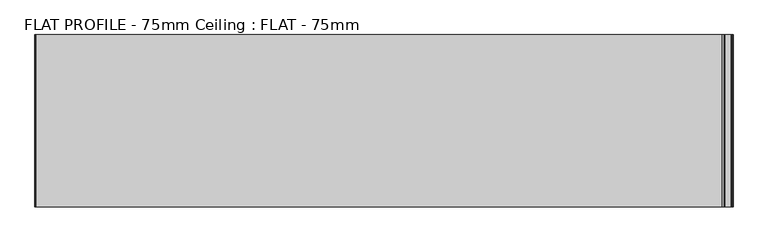
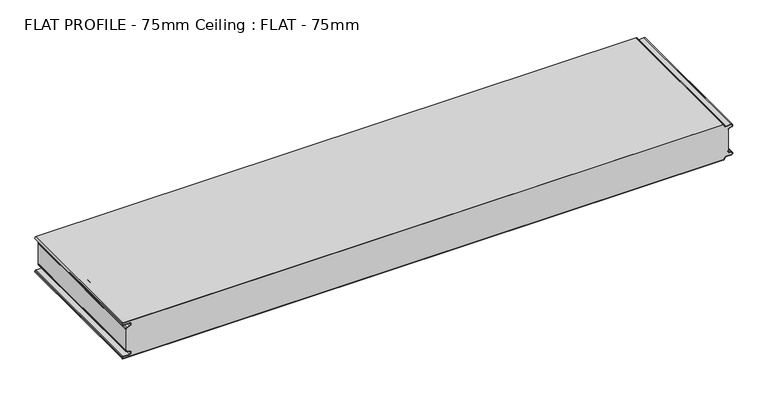
"""IFC4 building model written with IfcOpenShell, lengths in millimetres: proxy geometry, FLAT PROFILE - 75mm Ceiling : FLAT - 75mm."""

from ifc_helpers import new_model, si_unit, point, frame, frame_2d, origin, place, context, project, spatial, polyline, circle_curve, trimmed, segment, composite_curve, outline, extrude, source, transform, mapped, element, save


def flat_profile_75mm_ceiling_flat_75mm_cde551b7(model_context):
    return source(origin(), model_context, "Body", "SweptSolid", [
        extrude(outline(composite_curve([segment(trimmed(circle_curve(frame_2d((-591.0050311, -22.6831925)), 1.0022625), [point((-591.3794419, -23.612895))], [point((-591.9881924, -22.8779338))], False, "CARTESIAN"), True, "CONTINUOUS"), segment(polyline([(-591.9881924, -22.8779338), (-591.9881924, -21.7522195), (-592.9881924, -21.7522195), (-592.9881924, 21.7522233), (-591.9881924, 21.7522233), (-591.9881924, 22.8779338)]), True, "CONTINUOUS"), segment(trimmed(circle_curve(frame_2d((-591.0050311, 22.6831926)), 1.0022625), [point((-591.9881924, 22.8779338))], [point((-591.3794419, 23.6128951))], False, "CARTESIAN"), True, "CONTINUOUS"), segment(polyline([(-591.3794419, 23.6128951), (-589.3904999, 24.4138838), (-583.8995097, 26.4124408)]), True, "CONTINUOUS"), segment(trimmed(circle_curve(frame_2d((-585.2882153, 29.8376477)), 3.6960175), [point((-583.8995097, 26.4124408))], [point((-584.9273771, 33.5160089))], True, "CARTESIAN"), True, "CONTINUOUS"), segment(polyline([(-584.9273771, 33.5160089), (-597.3733883, 33.5160089)]), True, "CONTINUOUS"), segment(trimmed(circle_curve(frame_2d((-597.4921978, 35.0112962)), 1.5), [point((-597.3733883, 33.5160089))], [point((-597.3084562, 36.5))], False, "CARTESIAN"), True, "CONTINUOUS"), segment(polyline([(-597.3084562, 36.5), (596.902372, 36.5)]), True, "CONTINUOUS"), segment(trimmed(circle_curve(frame_2d((596.9047345, 34.9926441)), 1.5073578), [point((596.902372, 36.5))], [point((598.4115951, 34.9539319))], False, "CARTESIAN"), True, "CONTINUOUS"), segment(trimmed(circle_curve(frame_2d((601.9112919, 35.0)), 3.5), [point((598.4115951, 34.9539319))], [point((601.9112919, 31.5))], True, "CARTESIAN"), True, "CONTINUOUS"), segment(polyline([(601.9112919, 31.5), (612.3116271, 31.5)]), True, "CONTINUOUS"), segment(trimmed(circle_curve(frame_2d((612.3116271, 29.4)), 2.1), [point((612.3116271, 31.5))], [point((613.0435993, 27.431697))], False, "CARTESIAN"), True, "CONTINUOUS"), segment(polyline([(613.0435993, 27.431697), (610.7828028, 26.6062983), (607.8546835, 25.4154138)]), True, "CONTINUOUS"), segment(trimmed(circle_curve(frame_2d((608.9399875, 22.7468935)), 2.8807786), [point((607.8546835, 25.4154138))], [point((606.0682599, 22.9750722))], True, "CARTESIAN"), True, "CONTINUOUS"), segment(polyline([(606.0682599, 22.9750722), (606.0107004, 21.7522214), (607.0118076, 21.7522214), (607.0118076, -21.7522213), (606.0107004, -21.7522213), (606.0682599, -22.9750721)]), True, "CONTINUOUS"), segment(trimmed(circle_curve(frame_2d((608.9399875, -22.7468934)), 2.8807786), [point((606.0682599, -22.9750721))], [point((607.8546835, -25.4154137))], True, "CARTESIAN"), True, "CONTINUOUS"), segment(polyline([(607.8546835, -25.4154137), (610.7828028, -26.6062982), (613.0435993, -27.4316969)]), True, "CONTINUOUS"), segment(trimmed(circle_curve(frame_2d((612.3116271, -29.4)), 2.1), [point((613.0435993, -27.4316969))], [point((612.3116271, -31.5))], False, "CARTESIAN"), True, "CONTINUOUS"), segment(polyline([(612.3116271, -31.5), (601.9112919, -31.5)]), True, "CONTINUOUS"), segment(trimmed(circle_curve(frame_2d((601.9112919, -35.0)), 3.5), [point((601.9112919, -31.5))], [point((598.4115951, -34.9539318))], True, "CARTESIAN"), True, "CONTINUOUS"), segment(trimmed(circle_curve(frame_2d((596.9047345, -34.992644)), 1.5073578), [point((598.4115951, -34.9539318))], [point((596.902372, -36.5))], False, "CARTESIAN"), True, "CONTINUOUS"), segment(polyline([(596.902372, -36.5), (-597.3084562, -36.5)]), True, "CONTINUOUS"), segment(trimmed(circle_curve(frame_2d((-597.4921978, -35.0112962)), 1.5), [point((-597.3084562, -36.5))], [point((-597.3733883, -33.5160088))], False, "CARTESIAN"), True, "CONTINUOUS"), segment(polyline([(-597.3733883, -33.5160088), (-584.9273771, -33.5160088)]), True, "CONTINUOUS"), segment(trimmed(circle_curve(frame_2d((-585.2882153, -29.8376476)), 3.6960175), [point((-584.9273771, -33.5160088))], [point((-583.8995097, -26.4124407))], True, "CARTESIAN"), True, "CONTINUOUS"), segment(polyline([(-583.8995097, -26.4124407), (-589.3904999, -24.4138837), (-591.3794419, -23.612895)]), True, "CONTINUOUS")], self_intersect=False)), frame((0.0, -2199.999999, 2499.9999958), z_axis=(0.0, -1.0, 5.782781187235762e-10), x_axis=(1.0, 0.0, 0.0)), (0.0, 0.0, 1.0), 300.0),
        extrude(outline(composite_curve([segment(polyline([(-591.3794419, -23.612895), (-589.3904999, -24.4138837), (-583.8995097, -26.4124407)]), True, "CONTINUOUS"), segment(trimmed(circle_curve(frame_2d((-585.2882153, -29.8376476)), 3.6960175), [point((-583.8995097, -26.4124407))], [point((-584.9273771, -33.5160088))], False, "CARTESIAN"), True, "CONTINUOUS"), segment(polyline([(-584.9273771, -33.5160088), (-597.3733883, -33.5160088)]), True, "CONTINUOUS"), segment(trimmed(circle_curve(frame_2d((-597.4921978, -35.0112962)), 1.5), [point((-597.3733883, -33.5160088))], [point((-597.3084562, -36.5))], True, "CARTESIAN"), True, "CONTINUOUS"), segment(polyline([(-597.3084562, -36.5), (596.902372, -36.5)]), True, "CONTINUOUS"), segment(trimmed(circle_curve(frame_2d((596.9047345, -34.992644)), 1.5073578), [point((596.902372, -36.5))], [point((598.4115951, -34.9539318))], True, "CARTESIAN"), True, "CONTINUOUS"), segment(trimmed(circle_curve(frame_2d((601.9112919, -35.0)), 3.5), [point((598.4115951, -34.9539318))], [point((601.9112919, -31.5))], False, "CARTESIAN"), True, "CONTINUOUS"), segment(polyline([(601.9112919, -31.5), (612.3116271, -31.5)]), True, "CONTINUOUS"), segment(trimmed(circle_curve(frame_2d((612.3116271, -29.4)), 2.1), [point((612.3116271, -31.5))], [point((613.0435993, -27.4316969))], True, "CARTESIAN"), True, "CONTINUOUS"), segment(polyline([(613.0435993, -27.4316969), (610.7828028, -26.6062982), (607.8546835, -25.4154137)]), True, "CONTINUOUS"), segment(trimmed(circle_curve(frame_2d((608.9399875, -22.7468934)), 2.8807786), [point((607.8546835, -25.4154137))], [point((606.0682599, -22.9750721))], False, "CARTESIAN"), True, "CONTINUOUS"), segment(polyline([(606.0682599, -22.9750721), (606.0107004, -21.7522213), (607.0118076, -21.7522213), (607.0118076, -22.9591032)]), True, "CONTINUOUS"), segment(trimmed(circle_curve(frame_2d((609.0514567, -22.6592647)), 2.0615701), [point((607.0118076, -22.9591032))], [point((608.2411829, -24.554925))], True, "CARTESIAN"), True, "CONTINUOUS"), segment(polyline([(608.2411829, -24.554925), (611.1427659, -25.6731559), (613.3890842, -26.4932688)]), True, "CONTINUOUS"), segment(trimmed(circle_curve(frame_2d((612.3116271, -29.4)), 3.1), [point((613.3890842, -26.4932688))], [point((612.3116271, -32.5))], False, "CARTESIAN"), True, "CONTINUOUS"), segment(polyline([(612.3116271, -32.5), (601.9112919, -32.5)]), True, "CONTINUOUS"), segment(trimmed(circle_curve(frame_2d((601.9112919, -35.0)), 2.5), [point((601.9112919, -32.5))], [point((599.4117582, -34.9517157))], True, "CARTESIAN"), True, "CONTINUOUS"), segment(trimmed(circle_curve(frame_2d((596.9047345, -34.992644)), 2.5073578), [point((599.4117582, -34.9517157))], [point((596.9016875, -37.5))], False, "CARTESIAN"), True, "CONTINUOUS"), segment(polyline([(596.9016875, -37.5), (-597.2548091, -37.5)]), True, "CONTINUOUS"), segment(trimmed(circle_curve(frame_2d((-597.4921978, -35.0112962)), 2.5), [point((-597.2548091, -37.5))], [point((-597.3387672, -32.5160088))], False, "CARTESIAN"), True, "CONTINUOUS"), segment(polyline([(-597.3387672, -32.5160088), (-584.9801705, -32.5160088)]), True, "CONTINUOUS"), segment(trimmed(circle_curve(frame_2d((-585.2882153, -29.8376476)), 2.6960175), [point((-584.9801705, -32.5160088))], [point((-584.2598383, -27.3454696))], True, "CARTESIAN"), True, "CONTINUOUS"), segment(polyline([(-584.2598383, -27.3454696), (-589.7483949, -25.3477984), (-591.7530074, -24.5404988)]), True, "CONTINUOUS"), segment(trimmed(circle_curve(frame_2d((-591.0050311, -22.6831925)), 2.0022625), [point((-591.7530074, -24.5404988))], [point((-592.9881924, -22.9591032))], False, "CARTESIAN"), True, "CONTINUOUS"), segment(polyline([(-592.9881924, -22.9591032), (-592.9881924, -21.7522195), (-591.9881924, -21.7522195), (-591.9881924, -22.8779338)]), True, "CONTINUOUS"), segment(trimmed(circle_curve(frame_2d((-591.0050311, -22.6831925)), 1.0022625), [point((-591.9881924, -22.8779338))], [point((-591.3794419, -23.612895))], True, "CARTESIAN"), True, "CONTINUOUS")], self_intersect=False)), frame((0.0, -2199.999999, 2500.0000084), z_axis=(0.0, -1.0, 5.782781187235742e-10), x_axis=(1.0, 0.0, 0.0)), (0.0, 0.0, 1.0), 300.0),
        extrude(outline(composite_curve([segment(trimmed(circle_curve(frame_2d((-591.0050311, 22.6831926)), 1.0022625), [point((-591.3794419, 23.6128951))], [point((-591.9881924, 22.8779338))], True, "CARTESIAN"), True, "CONTINUOUS"), segment(polyline([(-591.9881924, 22.8779338), (-591.9881924, 21.7522196), (-592.9881924, 21.7522196), (-592.9881924, 22.9591033)]), True, "CONTINUOUS"), segment(trimmed(circle_curve(frame_2d((-591.0050311, 22.6831926)), 2.0022625), [point((-592.9881924, 22.9591033))], [point((-591.7530074, 24.5404989))], False, "CARTESIAN"), True, "CONTINUOUS"), segment(polyline([(-591.7530074, 24.5404989), (-589.7483949, 25.3477985), (-584.2598383, 27.3454697)]), True, "CONTINUOUS"), segment(trimmed(circle_curve(frame_2d((-585.2882153, 29.8376477)), 2.6960175), [point((-584.2598383, 27.3454697))], [point((-584.9801705, 32.5160089))], True, "CARTESIAN"), True, "CONTINUOUS"), segment(polyline([(-584.9801705, 32.5160089), (-597.3387672, 32.5160089)]), True, "CONTINUOUS"), segment(trimmed(circle_curve(frame_2d((-597.4921978, 35.0112962)), 2.5), [point((-597.3387672, 32.5160089))], [point((-597.2548091, 37.5))], False, "CARTESIAN"), True, "CONTINUOUS"), segment(polyline([(-597.2548091, 37.5), (596.9016875, 37.5)]), True, "CONTINUOUS"), segment(trimmed(circle_curve(frame_2d((596.9047345, 34.9926441)), 2.5073578), [point((596.9016875, 37.5))], [point((599.4117582, 34.9517158))], False, "CARTESIAN"), True, "CONTINUOUS"), segment(trimmed(circle_curve(frame_2d((601.9112919, 35.0)), 2.5), [point((599.4117582, 34.9517158))], [point((601.9112919, 32.5))], True, "CARTESIAN"), True, "CONTINUOUS"), segment(polyline([(601.9112919, 32.5), (612.3116271, 32.5)]), True, "CONTINUOUS"), segment(trimmed(circle_curve(frame_2d((612.3116271, 29.4)), 3.1), [point((612.3116271, 32.5))], [point((613.3890842, 26.4932688))], False, "CARTESIAN"), True, "CONTINUOUS"), segment(polyline([(613.3890842, 26.4932688), (611.1427659, 25.673156), (608.2411829, 24.554925)]), True, "CONTINUOUS"), segment(trimmed(circle_curve(frame_2d((609.0514567, 22.6592648)), 2.0615701), [point((608.2411829, 24.554925))], [point((607.0118076, 22.9591033))], True, "CARTESIAN"), True, "CONTINUOUS"), segment(polyline([(607.0118076, 22.9591033), (607.0118076, 21.7522214), (606.0107004, 21.7522214), (606.0682599, 22.9750722)]), True, "CONTINUOUS"), segment(trimmed(circle_curve(frame_2d((608.9399875, 22.7468935)), 2.8807786), [point((606.0682599, 22.9750722))], [point((607.8546835, 25.4154138))], False, "CARTESIAN"), True, "CONTINUOUS"), segment(polyline([(607.8546835, 25.4154138), (610.7828028, 26.6062983), (613.0435993, 27.431697)]), True, "CONTINUOUS"), segment(trimmed(circle_curve(frame_2d((612.3116271, 29.4)), 2.1), [point((613.0435993, 27.431697))], [point((612.3116271, 31.5))], True, "CARTESIAN"), True, "CONTINUOUS"), segment(polyline([(612.3116271, 31.5), (601.9112919, 31.5)]), True, "CONTINUOUS"), segment(trimmed(circle_curve(frame_2d((601.9112919, 35.0)), 3.5), [point((601.9112919, 31.5))], [point((598.4115951, 34.9539319))], False, "CARTESIAN"), True, "CONTINUOUS"), segment(trimmed(circle_curve(frame_2d((596.9047345, 34.9926441)), 1.5073578), [point((598.4115951, 34.9539319))], [point((596.902372, 36.5))], True, "CARTESIAN"), True, "CONTINUOUS"), segment(polyline([(596.902372, 36.5), (-597.3084562, 36.5)]), True, "CONTINUOUS"), segment(trimmed(circle_curve(frame_2d((-597.4921978, 35.0112962)), 1.5), [point((-597.3084562, 36.5))], [point((-597.3733883, 33.5160089))], True, "CARTESIAN"), True, "CONTINUOUS"), segment(polyline([(-597.3733883, 33.5160089), (-584.9273771, 33.5160089)]), True, "CONTINUOUS"), segment(trimmed(circle_curve(frame_2d((-585.2882153, 29.8376477)), 3.6960175), [point((-584.9273771, 33.5160089))], [point((-583.8995097, 26.4124408))], False, "CARTESIAN"), True, "CONTINUOUS"), segment(polyline([(-583.8995097, 26.4124408), (-589.3904999, 24.4138838), (-591.3794419, 23.6128951)]), True, "CONTINUOUS")], self_intersect=False)), frame((0.0, -2199.999999, 2500.0000084), z_axis=(0.0, -1.0, 5.782781187235742e-10), x_axis=(1.0, 0.0, 0.0)), (0.0, 0.0, 1.0), 300.0),
    ])


if __name__ == "__main__":
    model = new_model("IFC4")
    model_context = context("Model", 3, world=origin())
    ifc_project = project(units=[si_unit("LENGTHUNIT", "METRE", prefix="MILLI")], contexts=[model_context])
    site = spatial("IfcSite", under=ifc_project)
    building = spatial("IfcBuilding", under=site)
    placement = place(None, origin())
    flat_profile_75mm_ceiling_flat_75mm_shape = flat_profile_75mm_ceiling_flat_75mm_cde551b7(model_context)
    element("IfcBuildingElementProxy", 1, Name="FLAT PROFILE - 75mm Ceiling : FLAT - 75mm", ObjectType="FLAT PROFILE - 75mm Ceiling : FLAT - 75mm", at=placement, inside=building, context=model_context, shape_type="MappedRepresentation", body=[
        mapped(flat_profile_75mm_ceiling_flat_75mm_shape, transform((0.0, 0.0, 0.0), x_axis=(1.0, 0.0, 0.0), y_axis=(0.0, 1.0, 0.0), z_axis=(0.0, 0.0, 1.0))),
    ])
    save(model, "model.ifc")
